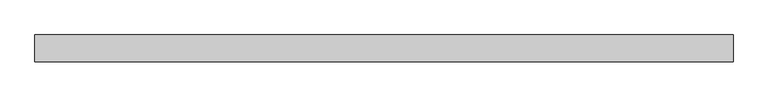
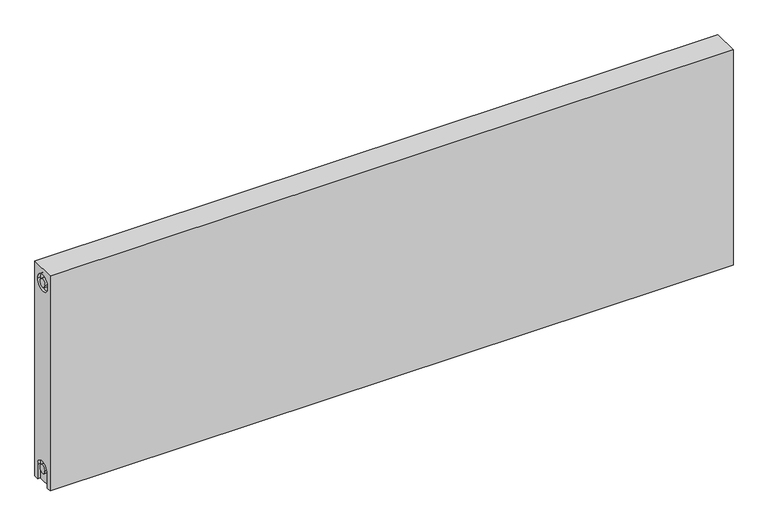
"""IFC4 building model written with IfcOpenShell, lengths in millimetres: proxy geometry."""

from ifc_helpers import new_model, si_unit, frame, origin, place, context, project, spatial, polyline, circle_curve, source, transform, mapped, element, save
from ifc_brep_helpers import plane_surface, cylinder_surface, revolved_surface, advanced_brep


def mechanical_equipment_9f53d934(model_context):
    return source(origin(), model_context, "Body", "AdvancedBrep", [
        advanced_brep(
        [(1200.0, 23.0, 400.0), (1200.0, 23.0, 0.0), (0.0, 23.0, 0.0), (0.0, 23.0, 400.0), (1200.0, -23.0, 400.0), (0.0, -23.0, 400.0), (0.0, -23.0, 0.0), (1200.0, -23.0, 0.0), (1200.0, -15.0, 0.0), (1200.0, -15.0, 27.0), (1200.0, 15.0, 27.0), (1200.0, 15.0, 0.0), (1200.0, 14.7242393, 373.0), (1200.0, -15.2757607, 373.0), (1200.0, -7.5, 27.0), (1200.0, 7.5, 27.0), (1200.0, 7.2242393, 373.0), (1200.0, -7.7757607, 373.0), (1195.0, 15.0, 0.0), (1195.0, -15.0, 0.0), (0.0, -15.0, 0.0), (5.0, -15.0, 0.0), (5.0, 15.0, 0.0), (0.0, 15.0, 0.0), (0.0, 15.0, 27.0), (0.0, -15.0, 27.0), (0.0, -15.2757607, 373.0), (0.0, 14.7242393, 373.0), (0.0, -7.7757607, 373.0), (0.0, 7.2242393, 373.0), (0.0, 7.5, 27.0), (0.0, -7.5, 27.0), (5.0, -15.2757607, 373.0), (5.0, 14.7242393, 373.0), (5.0, -7.7757607, 373.0), (5.0, 7.2242393, 373.0), (5.0, -15.0, 27.0), (5.0, 15.0, 27.0), (5.0, -7.5, 27.0), (5.0, 7.5, 27.0), (1195.0, 15.0, 27.0), (1195.0, -15.0, 27.0), (1195.0, -7.5, 27.0), (1195.0, 7.5, 27.0), (1195.0, -15.2757607, 373.0), (1195.0, 14.7242393, 373.0), (1195.0, -7.7757607, 373.0), (1195.0, 7.2242393, 373.0)],
        [
            (0, 1),
            (1, 2),
            (2, 3),
            (3, 0),
            (4, 5),
            (5, 6),
            (6, 7),
            (7, 4),
            (0, 4),
            (7, 8),
            (8, 9),
            (9, 10, circle_curve(frame((1200.0, 0.0, 27.0), z_axis=(-1.0, 0.0, 0.0), x_axis=(0.0, 1.0, 0.0)), 15.0)),
            (10, 11),
            (11, 1),
            (12, 13, circle_curve(frame((1200.0, -0.2757607, 373.0), z_axis=(-1.0, 0.0, 0.0), x_axis=(0.0, 1.0, 0.0)), 15.0)),
            (13, 12, circle_curve(frame((1200.0, -0.2757607, 373.0), z_axis=(-1.0, 0.0, 0.0), x_axis=(0.0, 1.0, 0.0)), 15.0)),
            (14, 15, circle_curve(frame((1200.0, 0.0, 27.0), z_axis=(1.0, 0.0, 0.0), x_axis=(0.0, 1.0, 0.0)), 7.5)),
            (15, 14, circle_curve(frame((1200.0, 0.0, 27.0), z_axis=(1.0, 0.0, 0.0), x_axis=(0.0, 1.0, 0.0)), 7.5)),
            (16, 17, circle_curve(frame((1200.0, -0.2757607, 373.0), z_axis=(1.0, 0.0, 0.0), x_axis=(0.0, 1.0, 0.0)), 7.5)),
            (17, 16, circle_curve(frame((1200.0, -0.2757607, 373.0), z_axis=(1.0, 0.0, 0.0), x_axis=(0.0, 1.0, 0.0)), 7.5)),
            (11, 18),
            (18, 19),
            (19, 8),
            (6, 20),
            (20, 21),
            (21, 22),
            (22, 23),
            (23, 2),
            (23, 24),
            (24, 25, circle_curve(frame((0.0, 0.0, 27.0), z_axis=(1.0, 0.0, 0.0), x_axis=(0.0, 1.0, 0.0)), 15.0)),
            (25, 20),
            (5, 3),
            (26, 27, circle_curve(frame((0.0, -0.2757607, 373.0), z_axis=(1.0, 0.0, 0.0), x_axis=(0.0, 1.0, 0.0)), 15.0)),
            (27, 26, circle_curve(frame((0.0, -0.2757607, 373.0), z_axis=(1.0, 0.0, 0.0), x_axis=(0.0, 1.0, 0.0)), 15.0)),
            (28, 29, circle_curve(frame((0.0, -0.2757607, 373.0), z_axis=(-1.0, 0.0, 0.0), x_axis=(0.0, 1.0, 0.0)), 7.5)),
            (29, 28, circle_curve(frame((0.0, -0.2757607, 373.0), z_axis=(-1.0, 0.0, 0.0), x_axis=(0.0, 1.0, 0.0)), 7.5)),
            (30, 31, circle_curve(frame((0.0, 0.0, 27.0), z_axis=(-1.0, 0.0, 0.0), x_axis=(0.0, 1.0, 0.0)), 7.5)),
            (31, 30, circle_curve(frame((0.0, 0.0, 27.0), z_axis=(-1.0, 0.0, 0.0), x_axis=(0.0, 1.0, 0.0)), 7.5)),
            (32, 33, circle_curve(frame((5.0, -0.2757607, 373.0), z_axis=(-1.0, 0.0, 0.0), x_axis=(0.0, 1.0, 0.0)), 15.0)),
            (33, 32, circle_curve(frame((5.0, -0.2757607, 373.0), z_axis=(-1.0, 0.0, 0.0), x_axis=(0.0, 1.0, 0.0)), 15.0)),
            (34, 35, circle_curve(frame((5.0, -0.2757607, 373.0), z_axis=(1.0, 0.0, 0.0), x_axis=(0.0, 1.0, 0.0)), 7.5)),
            (35, 34, circle_curve(frame((5.0, -0.2757607, 373.0), z_axis=(1.0, 0.0, 0.0), x_axis=(0.0, 1.0, 0.0)), 7.5)),
            (33, 27),
            (26, 32),
            (35, 29),
            (28, 34),
            (21, 36),
            (36, 37, circle_curve(frame((5.0, 0.0, 27.0), z_axis=(-1.0, 0.0, 0.0), x_axis=(0.0, 1.0, 0.0)), 15.0)),
            (37, 22),
            (38, 39, circle_curve(frame((5.0, 0.0, 27.0), z_axis=(1.0, 0.0, 0.0), x_axis=(0.0, 1.0, 0.0)), 7.5)),
            (39, 38, circle_curve(frame((5.0, 0.0, 27.0), z_axis=(1.0, 0.0, 0.0), x_axis=(0.0, 1.0, 0.0)), 7.5)),
            (38, 31),
            (30, 39),
            (37, 24),
            (36, 25),
            (18, 40),
            (40, 41, circle_curve(frame((1195.0, 0.0, 27.0), z_axis=(1.0, 0.0, 0.0), x_axis=(0.0, 1.0, 0.0)), 15.0)),
            (41, 19),
            (42, 43, circle_curve(frame((1195.0, 0.0, 27.0), z_axis=(-1.0, 0.0, 0.0), x_axis=(0.0, 1.0, 0.0)), 7.5)),
            (43, 42, circle_curve(frame((1195.0, 0.0, 27.0), z_axis=(-1.0, 0.0, 0.0), x_axis=(0.0, 1.0, 0.0)), 7.5)),
            (43, 15),
            (14, 42),
            (10, 40),
            (9, 41),
            (44, 45, circle_curve(frame((1195.0, -0.2757607, 373.0), z_axis=(1.0, 0.0, 0.0), x_axis=(0.0, 1.0, 0.0)), 15.0)),
            (45, 44, circle_curve(frame((1195.0, -0.2757607, 373.0), z_axis=(1.0, 0.0, 0.0), x_axis=(0.0, 1.0, 0.0)), 15.0)),
            (46, 47, circle_curve(frame((1195.0, -0.2757607, 373.0), z_axis=(-1.0, 0.0, 0.0), x_axis=(0.0, 1.0, 0.0)), 7.5)),
            (47, 46, circle_curve(frame((1195.0, -0.2757607, 373.0), z_axis=(-1.0, 0.0, 0.0), x_axis=(0.0, 1.0, 0.0)), 7.5)),
            (44, 13),
            (12, 45),
            (46, 17),
            (16, 47),
        ],
        [
            plane_surface(frame((1200.0, 23.0, 400.0), z_axis=(0.0, 1.0, 0.0), x_axis=(0.0, 0.0, -1.0))),
            plane_surface(frame((1200.0, -23.0, 400.0), z_axis=(0.0, -1.0, 0.0), x_axis=(0.0, 0.0, 1.0))),
            plane_surface(frame((1200.0, 23.0, 400.0), z_axis=(1.0, 0.0, 0.0), x_axis=(0.0, -1.0, 0.0))),
            plane_surface(frame((1200.0, 23.0, 0.0), z_axis=(0.0, 0.0, -1.0), x_axis=(0.0, -1.0, 0.0))),
            plane_surface(frame((0.0, 23.0, 0.0), z_axis=(-1.0, 0.0, 0.0), x_axis=(0.0, -1.0, 0.0))),
            plane_surface(frame((0.0, 23.0, 400.0), z_axis=(0.0, 0.0, 1.0), x_axis=(0.0, -1.0, 0.0))),
            plane_surface(frame((5.0, 14.7242393, 373.0), z_axis=(-1.0, 0.0, 0.0), x_axis=(0.0, 0.0, 1.0))),
            revolved_surface(polyline([(5.0, 14.7242393, 373.0), (0.0, 14.7242393, 373.0)]), (0.0, -0.2757607, 373.0), (1.0, 0.0, 0.0)),
            cylinder_surface(frame((0.0, -0.2757607, 373.0), z_axis=(-1.0, 0.0, 0.0), x_axis=(0.0, 1.0, 0.0)), 7.5),
            plane_surface(frame((5.0, 7.5, 27.0), z_axis=(-1.0, 0.0, 0.0), x_axis=(0.0, 0.0, -1.0))),
            cylinder_surface(frame((0.0, 0.0, 27.0), z_axis=(-1.0, 0.0, 0.0), x_axis=(0.0, 1.0, 0.0)), 7.5),
            plane_surface(frame((5.0, 15.0, 0.0), z_axis=(0.0, -1.0, 0.0), x_axis=(-1.0, 0.0, 0.0))),
            revolved_surface(polyline([(5.0, 15.0, 27.0), (0.0, 15.0, 27.0)]), (0.0, 0.0, 27.0), (1.0, 0.0, 0.0)),
            plane_surface(frame((5.0, -15.0, 27.0), z_axis=(0.0, 1.0, 0.0), x_axis=(-1.0, 0.0, 0.0))),
            plane_surface(frame((1195.0, 7.5, 27.0), z_axis=(1.0, 0.0, 0.0), x_axis=(0.0, 0.0, 1.0))),
            cylinder_surface(frame((1195.0, 0.0, 27.0), z_axis=(-1.0, 0.0, 0.0), x_axis=(0.0, 1.0, 0.0)), 7.5),
            plane_surface(frame((1200.0, 15.0, 0.0), z_axis=(0.0, -1.0, 0.0), x_axis=(-1.0, 0.0, 0.0))),
            revolved_surface(polyline([(1200.0, 15.0, 27.0), (1195.0, 15.0, 27.0)]), (895.0, 0.0, 27.0), (1.0, 0.0, 0.0)),
            plane_surface(frame((1200.0, -15.0, 27.0), z_axis=(0.0, 1.0, 0.0), x_axis=(-1.0, 0.0, 0.0))),
            plane_surface(frame((1195.0, 14.7242393, 373.0), z_axis=(1.0, 0.0, 0.0), x_axis=(0.0, 0.0, -1.0))),
            revolved_surface(polyline([(1200.0, 14.7242393, 373.0), (1195.0, 14.7242393, 373.0)]), (1195.0, -0.2757607, 373.0), (1.0, 0.0, 0.0)),
            cylinder_surface(frame((895.0, -0.2757607, 373.0), z_axis=(-1.0, 0.0, 0.0), x_axis=(0.0, 1.0, 0.0)), 7.5),
        ],
        [
            (0, [[1, 2, 3, 4]]),
            (1, [[5, 6, 7, 8]]),
            (2, [[-1, 9, -8, 10, 11, 12, 13, 14], [15, 16]]),
            (2, [[17, 18]]),
            (2, [[19, 20]]),
            (3, [[-2, -14, 21, 22, 23, -10, -7, 24, 25, 26, 27, 28]]),
            (4, [[-3, -28, 29, 30, 31, -24, -6, 32], [33, 34]]),
            (4, [[35, 36]]),
            (4, [[37, 38]]),
            (5, [[-4, -32, -5, -9]]),
            (6, [[39, 40], [41, 42]]),
            (7, [[-40, 43, -33, 44]]),
            (7, [[-39, -44, -34, -43]]),
            (8, [[-42, 45, -35, 46]]),
            (8, [[-41, -46, -36, -45]]),
            (9, [[47, 48, 49, -26], [50, 51]]),
            (10, [[-50, 52, -37, 53]]),
            (10, [[-51, -53, -38, -52]]),
            (11, [[-49, 54, -29, -27]]),
            (12, [[-48, 55, -30, -54]]),
            (13, [[-47, -25, -31, -55]]),
            (14, [[56, 57, 58, -22], [59, 60]]),
            (15, [[-60, 61, -17, 62]]),
            (15, [[-59, -62, -18, -61]]),
            (16, [[-56, -21, -13, 63]]),
            (17, [[-57, -63, -12, 64]]),
            (18, [[-58, -64, -11, -23]]),
            (19, [[65, 66], [67, 68]]),
            (20, [[-65, 69, -15, 70]]),
            (20, [[-66, -70, -16, -69]]),
            (21, [[-67, 71, -19, 72]]),
            (21, [[-68, -72, -20, -71]]),
        ],
    ),
    ])


if __name__ == "__main__":
    model = new_model("IFC4")
    model_context = context("Model", 3, world=origin())
    ifc_project = project(units=[si_unit("LENGTHUNIT", "METRE", prefix="MILLI")], contexts=[model_context])
    site = spatial("IfcSite", under=ifc_project)
    building = spatial("IfcBuilding", under=site)
    placement = place(None, origin())
    mechanical_equipment_shape = mechanical_equipment_9f53d934(model_context)
    element("IfcBuildingElementProxy", 1, Name="Mechanical Equipment", at=placement, inside=building, context=model_context, shape_type="MappedRepresentation", body=[
        mapped(mechanical_equipment_shape, transform((0.0, 0.0, 0.0), x_axis=(1.0, 0.0, 0.0), y_axis=(0.0, 1.0, 0.0), z_axis=(0.0, 0.0, 1.0))),
    ])
    save(model, "model.ifc")
